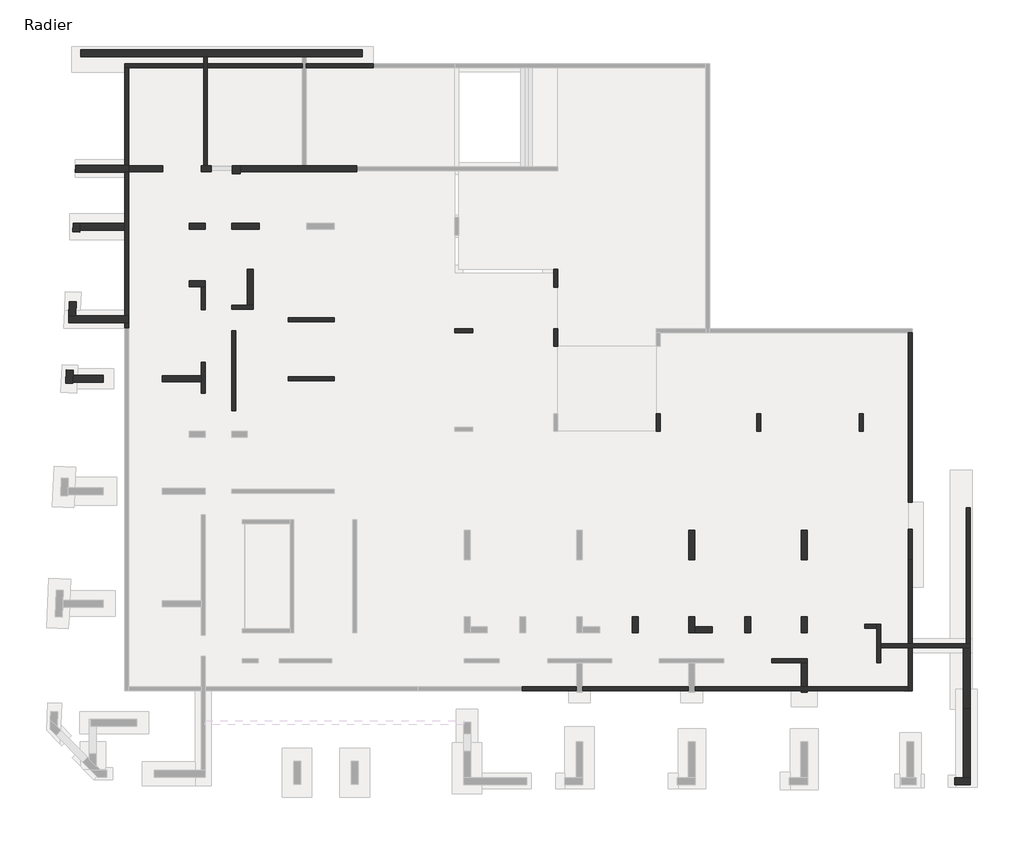
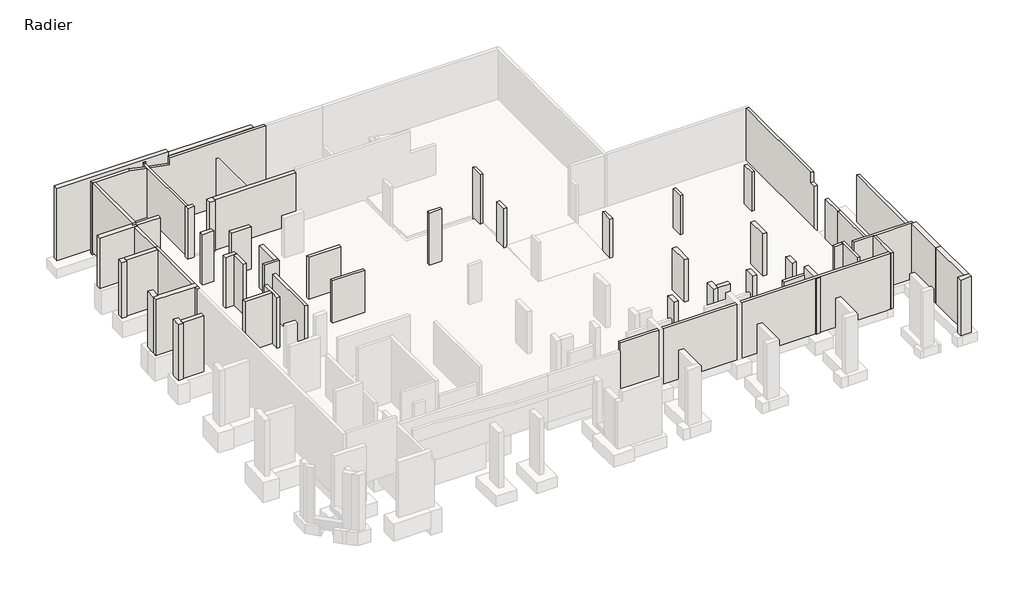
# One storey, part 2 of 4: 53 walls.
"""IFC4 building model written with IfcOpenShell, lengths in millimetres."""

from ifc_helpers import new_model, si_unit, frame, origin, place, context, project, spatial, polyline, outline, extrude, faceted_brep, element, save

model = new_model("IFC4")

# Units and contexts
model_context = context("Model", 3, world=origin())
ifc_project = project(units=[si_unit("LENGTHUNIT", "METRE", prefix="MILLI")], contexts=[model_context])

# Site, building, storey
site = spatial("IfcSite", under=ifc_project)
building = spatial("IfcBuilding", under=site)
storey = spatial("IfcBuildingStorey", under=building, Name="Radier", Elevation=-3900.0)

# Walls
placement = place(None, origin())
element("IfcWall", 1, ObjectType="MHA20", at=placement, inside=storey, context=model_context, shape_type="Brep", body=[
    faceted_brep([(-40805.6912908, 16850.9327501, -5150.0), (-40805.6912908, 11750.9327501, -5150.0), (-40805.6912908, 11750.9327501, -4900.0), (-40805.6912908, 11750.9327501, -3900.0), (-40805.6912908, 11925.9327501, -3900.0), (-40805.6912908, 11925.9327501, -20.0), (-40805.6912908, 11900.9327501, -20.0), (-40805.6912908, 11750.9327501, -20.0), (-40805.6912908, 11750.9327501, 130.0), (-40805.6912908, 11900.9327501, 130.0), (-40805.6912908, 16850.9327501, 130.0), (-40605.6912908, 16850.9327501, -5150.0), (-40605.6912908, 16850.9327501, 130.0), (-40605.6912908, 11900.9327501, 130.0), (-40605.6912908, 11750.9327501, 130.0), (-40605.6912908, 11750.9327501, -20.0), (-40605.6912908, 11900.9327501, -20.0), (-40605.6912908, 11925.9327501, -20.0), (-40605.6912908, 11925.9327501, -3900.0), (-40605.6912908, 11750.9327501, -3900.0), (-40605.6912908, 11750.9327501, -4900.0), (-40605.6912908, 11750.9327501, -5150.0)], [[[0, 1, 2, 3, 4, 5, 6, 7, 8, 9, 10]], [[11, 12, 13, 14, 15, 16, 17, 18, 19, 20, 21]], [[1, 0, 11, 21]], [[8, 7, 15, 14]], [[10, 9, 8, 14, 13, 12]], [[0, 10, 12, 11]], [[5, 17, 16, 15, 7, 6]], [[3, 2, 1, 21, 20, 19]], [[18, 4, 3, 19]], [[5, 4, 18, 17]]]),
])
element("IfcWall", 2, ObjectType="MHA20", at=placement, inside=storey, context=model_context, shape_type="Brep", body=[
    faceted_brep([(-2535.6912908, -13279.0672499, -4300.0), (-2535.6912908, -12519.0672499, -4300.0), (-2535.6912908, -12319.0672499, -4300.0), (-2535.6912908, -11329.0672499, -4300.0), (-2535.6912908, -11329.0672499, -670.0), (-2535.6912908, -13279.0672499, -670.0), (-2735.6912908, -13279.0672499, -4300.0), (-2735.6912908, -13279.0672499, -670.0), (-2735.6912908, -11529.0672499, -670.0), (-2735.6912908, -11329.0672499, -670.0), (-2735.6912908, -11329.0672499, -4300.0), (-2735.6912908, -11529.0672499, -4300.0)], [[[0, 1, 2, 3, 4, 5]], [[6, 7, 8, 9, 10, 11]], [[3, 2, 1, 0, 6, 11, 10]], [[5, 4, 9, 8, 7]], [[0, 5, 7, 6]], [[4, 3, 10, 9]]]),
])
element("IfcWall", 3, ObjectType="MHA20", at=placement, inside=storey, context=model_context, shape_type="Brep", body=[
    faceted_brep([(-2535.6912908, -12519.0672499, -20.0), (-2535.6912908, -12519.0672499, -4300.0), (-1125.6912908, -12519.0672499, -4300.0), (-925.6912908, -12519.0672499, -4300.0), (1644.3087092, -12519.0672499, -4300.0), (1994.3087092, -12519.0672499, -4300.0), (1994.3087092, -12519.0672499, -670.0), (1794.3087092, -12519.0672499, -670.0), (1794.3087092, -12519.0672499, -20.0), (1644.3087092, -12519.0672499, -20.0), (-925.6912908, -12519.0672499, -20.0), (-1125.6912908, -12519.0672499, -20.0), (-2535.6912908, -12319.0672499, -4300.0), (-2535.6912908, -12319.0672499, -20.0), (1794.3087092, -12319.0672499, -20.0), (1794.3087092, -12319.0672499, -670.0), (1994.3087092, -12319.0672499, -670.0), (1994.3087092, -12319.0672499, -4300.0), (-925.6912908, -12319.0672499, -4300.0), (-1125.6912908, -12319.0672499, -4300.0)], [[[0, 1, 2, 3, 4, 5, 6, 7, 8, 9, 10, 11]], [[12, 13, 14, 15, 16, 17, 18, 19]], [[5, 4, 3, 2, 1, 12, 19, 18, 17]], [[0, 11, 10, 9, 8, 14, 13]], [[0, 13, 12, 1]], [[15, 7, 6, 16]], [[6, 5, 17, 16]], [[8, 7, 15, 14]]]),
])
element("IfcWall", 4, ObjectType="MHA20", at=placement, inside=storey, context=model_context, shape_type="Brep", body=[
    faceted_brep([(-6255.6912908, -13079.0672499, -4300.0), (-8050.6912908, -13079.0672499, -4300.0), (-8050.6912908, -13079.0672499, -670.0), (-6255.6912908, -13079.0672499, -670.0), (-6255.6912908, -13279.0672499, -4300.0), (-6255.6912908, -13279.0672499, -670.0), (-8050.6912908, -13279.0672499, -670.0), (-8050.6912908, -13279.0672499, -4300.0), (-6555.6912908, -13279.0672499, -4300.0)], [[[0, 1, 2, 3]], [[4, 5, 6, 7, 8]], [[1, 0, 4, 8, 7]], [[2, 1, 7, 6]], [[3, 2, 6, 5]], [[0, 3, 5, 4]]]),
])
element("IfcWall", 5, ObjectType="MHA20", at=placement, inside=storey, context=model_context, shape_type="SweptSolid", body=[
    extrude(outline(polyline([(3440.9327501, -4300.0), (-5144.0672499, -4300.0), (-5144.0672499, -673.85), (-4689.0672499, -680.22), (-4689.0672499, 100.0), (3440.9327501, 100.0), (3440.9327501, -4300.0)])), frame((-1125.6912908, 0.0, 0.0), z_axis=(1.0, 0.0, 0.0), x_axis=(0.0, 1.0, 0.0)), (0.0, 0.0, 1.0), 200.0),
])
element("IfcWall", 6, ObjectType="MHA20", at=placement, inside=storey, context=model_context, shape_type="SweptSolid", body=[
    extrude(outline(polyline([(-35205.6912908, 3530.9327501), (-35205.6912908, -509.0672499), (-35405.6912908, -509.0672499), (-35405.6912908, 3530.9327501), (-35205.6912908, 3530.9327501)])), frame((0.0, 0.0, -4300.0), z_axis=(0.0, 0.0, 1.0), x_axis=(1.0, 0.0, 0.0)), (0.0, 0.0, 1.0), 3630.0),
])
element("IfcWall", 7, ObjectType="MHA20", at=placement, inside=storey, context=model_context, shape_type="Brep", body=[
    faceted_brep([(-32545.6912908, 1000.9327501, -4300.0), (-30205.6912908, 1000.9327501, -4300.0), (-30205.6912908, 1000.9327501, -1650.0), (-30205.6912908, 1000.9327501, -830.0), (-30205.6912908, 1000.9327501, -670.0), (-32545.6912908, 1000.9327501, -670.0), (-32545.6912908, 1000.9327501, -830.0), (-32545.6912908, 1000.9327501, -1650.0), (-32545.6912908, 1200.9327501, -4300.0), (-32545.6912908, 1200.9327501, -1650.0), (-32545.6912908, 1200.9327501, -830.0), (-32545.6912908, 1200.9327501, -670.0), (-30205.6912908, 1200.9327501, -670.0), (-30205.6912908, 1200.9327501, -830.0), (-30205.6912908, 1200.9327501, -1650.0), (-30205.6912908, 1200.9327501, -4300.0)], [[[0, 1, 2, 3, 4, 5, 6, 7]], [[8, 9, 10, 11, 12, 13, 14, 15]], [[1, 0, 8, 15]], [[4, 3, 2, 1, 15, 14, 13, 12]], [[5, 4, 12, 11]], [[0, 7, 6, 5, 11, 10, 9, 8]]]),
])
element("IfcWall", 8, ObjectType="MHA20", at=placement, inside=storey, context=model_context, shape_type="Brep", body=[
    faceted_brep([(-35405.6912908, 4620.9327501, -4300.0), (-34305.6912908, 4620.9327501, -4300.0), (-34305.6912908, 4620.9327501, -670.0), (-35405.6912908, 4620.9327501, -670.0), (-35405.6912908, 4820.9327501, -4300.0), (-35405.6912908, 4820.9327501, -670.0), (-34605.6912908, 4820.9327501, -670.0), (-34305.6912908, 4820.9327501, -670.0), (-34305.6912908, 4820.9327501, -4300.0), (-34605.6912908, 4820.9327501, -4300.0)], [[[0, 1, 2, 3]], [[4, 5, 6, 7, 8, 9]], [[1, 0, 4, 9, 8]], [[3, 2, 7, 6, 5]], [[0, 3, 5, 4]], [[2, 1, 8, 7]]]),
])
element("IfcWall", 9, ObjectType="MHA20", at=placement, inside=storey, context=model_context, shape_type="Brep", body=[
    faceted_brep([(-36735.6912908, 360.9327501, -4300.0), (-36735.6912908, 1930.9327501, -4300.0), (-36735.6912908, 1930.9327501, -820.0), (-36735.6912908, 1930.9327501, -180.0), (-36735.6912908, 1930.9327501, -20.0), (-36735.6912908, 360.9327501, -20.0), (-36735.6912908, 360.9327501, -180.0), (-36735.6912908, 360.9327501, -820.0), (-36935.6912908, 360.9327501, -4300.0), (-36935.6912908, 360.9327501, -820.0), (-36935.6912908, 360.9327501, -180.0), (-36935.6912908, 360.9327501, -20.0), (-36935.6912908, 950.9327501, -20.0), (-36935.6912908, 1250.9327501, -20.0), (-36935.6912908, 1930.9327501, -20.0), (-36935.6912908, 1930.9327501, -180.0), (-36935.6912908, 1930.9327501, -820.0), (-36935.6912908, 1930.9327501, -4300.0), (-36935.6912908, 1250.9327501, -4300.0), (-36935.6912908, 950.9327501, -4300.0)], [[[0, 1, 2, 3, 4, 5, 6, 7]], [[8, 9, 10, 11, 12, 13, 14, 15, 16, 17, 18, 19]], [[1, 0, 8, 19, 18, 17]], [[4, 3, 2, 1, 17, 16, 15, 14]], [[5, 4, 14, 13, 12, 11]], [[0, 7, 6, 5, 11, 10, 9, 8]]]),
])
element("IfcWall", 10, ObjectType="MHA20", at=placement, inside=storey, context=model_context, shape_type="Brep", body=[
    faceted_brep([(-36935.6912908, 5760.9327501, -4300.0), (-36935.6912908, 4590.9327501, -4300.0), (-36935.6912908, 4590.9327501, -820.0), (-36935.6912908, 4590.9327501, -180.0), (-36935.6912908, 4590.9327501, -20.0), (-36935.6912908, 5760.9327501, -20.0), (-36735.6912908, 5760.9327501, -4300.0), (-36735.6912908, 5760.9327501, -20.0), (-36735.6912908, 4590.9327501, -20.0), (-36735.6912908, 4590.9327501, -180.0), (-36735.6912908, 4590.9327501, -820.0), (-36735.6912908, 4590.9327501, -4300.0)], [[[0, 1, 2, 3, 4, 5]], [[6, 7, 8, 9, 10, 11]], [[1, 0, 6, 11]], [[4, 3, 2, 1, 11, 10, 9, 8]], [[5, 4, 8, 7]], [[0, 5, 7, 6]]]),
])
element("IfcWall", 11, ObjectType="MHA20", at=placement, inside=storey, context=model_context, shape_type="Brep", body=[
    faceted_brep([(-30205.6912908, 4200.9327501, -4300.0), (-32545.6912908, 4200.9327501, -4300.0), (-32545.6912908, 4200.9327501, -670.0), (-30205.6912908, 4200.9327501, -670.0), (-30205.6912908, 4200.9327501, -830.0), (-30205.6912908, 4200.9327501, -1650.0), (-30205.6912908, 4000.9327501, -4300.0), (-30205.6912908, 4000.9327501, -1650.0), (-30205.6912908, 4000.9327501, -830.0), (-30205.6912908, 4000.9327501, -670.0), (-32545.6912908, 4000.9327501, -670.0), (-32545.6912908, 4000.9327501, -4300.0)], [[[0, 1, 2, 3, 4, 5]], [[6, 7, 8, 9, 10, 11]], [[1, 0, 6, 11]], [[2, 1, 11, 10]], [[3, 2, 10, 9]], [[0, 5, 4, 3, 9, 8, 7, 6]]]),
])
element("IfcWall", 12, ObjectType="MHA20", at=placement, inside=storey, context=model_context, shape_type="Brep", body=[
    faceted_brep([(1994.3087092, -12319.0672499, -4300.0), (1994.3087092, -5419.0672499, -4300.0), (1994.3087092, -5419.0672499, -1250.0), (1994.3087092, -5419.0672499, -670.0), (1994.3087092, -12319.0672499, -670.0), (1794.3087092, -12319.0672499, -4300.0), (1794.3087092, -12319.0672499, -670.0), (1794.3087092, -5419.0672499, -670.0), (1794.3087092, -5419.0672499, -1250.0), (1794.3087092, -5419.0672499, -4300.0)], [[[0, 1, 2, 3, 4]], [[5, 6, 7, 8, 9]], [[1, 0, 5, 9]], [[4, 3, 7, 6]], [[0, 4, 6, 5]], [[3, 2, 1, 9, 8, 7]]]),
])
element("IfcWall", 13, ObjectType="MHA20", at=placement, inside=storey, context=model_context, shape_type="Brep", body=[
    faceted_brep([(-36625.6912908, 11900.9327501, -5400.0), (-36625.6912908, 16850.9327501, -5400.0), (-36625.6912908, 17050.9327501, -5400.0), (-36625.6912908, 17405.9327501, -5400.0), (-36625.6912908, 17405.9327501, -20.0), (-36625.6912908, 17380.9327501, -20.0), (-36625.6912908, 17380.9327501, -168.54), (-36625.6912908, 17050.9327501, -168.54), (-36625.6912908, 16850.9327501, -168.54), (-36625.6912908, 11900.9327501, -168.54), (-36825.6912908, 17405.9327501, -5400.0), (-36825.6912908, 17050.9327501, -5400.0), (-36825.6912908, 16850.9327501, -5400.0), (-36825.6912908, 11900.9327501, -5400.0), (-36825.6912908, 11900.9327501, -128.14), (-36825.6912908, 16850.9327501, -128.14), (-36825.6912908, 17050.9327501, -128.14), (-36825.6912908, 17380.9327501, -128.14), (-36825.6912908, 17380.9327501, -20.0), (-36825.6912908, 17405.9327501, -20.0)], [[[0, 1, 2, 3, 4, 5, 6, 7, 8, 9]], [[10, 11, 12, 13, 14, 15, 16, 17, 18, 19]], [[3, 2, 1, 0, 13, 12, 11, 10]], [[4, 19, 18, 5]], [[13, 0, 9, 14]], [[17, 6, 5, 18]], [[6, 17, 16, 15, 14, 9, 8, 7]], [[4, 3, 10, 19]]]),
])
element("IfcWall", 14, ObjectType="MHA20", at=placement, inside=storey, context=model_context, shape_type="SweptSolid", body=[
    extrude(outline(polyline([(-2735.6912908, -11529.0672499), (-3335.6912908, -11529.0672499), (-3335.6912908, -11329.0672499), (-2735.6912908, -11329.0672499), (-2735.6912908, -11529.0672499)])), frame((0.0, 0.0, -4300.0), z_axis=(0.0, 0.0, 1.0), x_axis=(1.0, 0.0, 0.0)), (0.0, 0.0, 1.0), 3630.0),
])
element("IfcWall", 15, ObjectType="MHA20", at=placement, inside=storey, context=model_context, shape_type="SweptSolid", body=[
    extrude(outline(polyline([(-1125.6912908, -8069.0672499), (-1125.6912908, -6519.0672499), (-925.6912908, -6519.0672499), (-925.6912908, -8069.0672499), (-1125.6912908, -8069.0672499)])), frame((0.0, 0.0, -4300.0), z_axis=(0.0, 0.0, 1.0), x_axis=(1.0, 0.0, 0.0)), (0.0, 0.0, 1.0), 3470.0),
])
element("IfcWall", 16, ObjectType="MHA20", at=placement, inside=storey, context=model_context, shape_type="Brep", body=[
    faceted_brep([(-1125.6912908, -8069.0672499, -830.0), (-1125.6912908, -8069.0672499, -4300.0), (-1125.6912908, -12319.0672499, -4300.0), (-1125.6912908, -12319.0672499, -830.0), (-925.6912908, -8069.0672499, -4300.0), (-925.6912908, -8069.0672499, -830.0), (-925.6912908, -12319.0672499, -830.0), (-925.6912908, -12319.0672499, -4300.0)], [[[0, 1, 2, 3]], [[4, 5, 6, 7]], [[3, 2, 7, 6]], [[1, 4, 7, 2]], [[5, 0, 3, 6]], [[1, 0, 5, 4]]]),
    faceted_brep([(-1125.6912908, -14699.0672499, -4300.0), (-1125.6912908, -14699.0672499, -20.0), (-1125.6912908, -14499.0672499, -20.0), (-1125.6912908, -12519.0672499, -20.0), (-1125.6912908, -12519.0672499, -4300.0), (-1125.6912908, -14499.0672499, -4300.0), (-925.6912908, -14699.0672499, -20.0), (-925.6912908, -14699.0672499, -140.0), (-925.6912908, -14699.0672499, -820.0), (-925.6912908, -14699.0672499, -4300.0), (-925.6912908, -12519.0672499, -4300.0), (-925.6912908, -12519.0672499, -20.0)], [[[0, 1, 2, 3, 4, 5]], [[6, 7, 8, 9, 10, 11]], [[9, 0, 5, 4, 10]], [[1, 0, 9, 8, 7, 6]], [[3, 2, 1, 6, 11]], [[3, 11, 10, 4]]]),
])
element("IfcWall", 17, ObjectType="MHA20", at=placement, inside=storey, context=model_context, shape_type="Brep", body=[
    faceted_brep([(-28225.6912908, 16850.9327501, -5400.0), (-28225.6912908, 16850.9327501, 100.0), (-35175.6912908, 16850.9327501, 100.0), (-35175.6912908, 16850.9327501, -461.44), (-36625.6912908, 16850.9327501, -168.54), (-36625.6912908, 16850.9327501, -5400.0), (-31825.6912908, 16850.9327501, -5400.0), (-31825.6912908, 16850.9327501, -1138.14), (-31625.6912908, 16850.9327501, -1178.54), (-31625.6912908, 16850.9327501, -5400.0), (-28225.6912908, 17050.9327501, 100.0), (-28225.6912908, 17050.9327501, -5400.0), (-31625.6912908, 17050.9327501, -5400.0), (-31625.6912908, 17050.9327501, -1178.54), (-31825.6912908, 17050.9327501, -1138.14), (-31825.6912908, 17050.9327501, -5400.0), (-36625.6912908, 17050.9327501, -5400.0), (-36625.6912908, 17050.9327501, -168.54), (-35175.6912908, 17050.9327501, -461.44), (-35175.6912908, 17050.9327501, 100.0)], [[[0, 1, 2, 3, 4, 5, 6, 7, 8, 9]], [[10, 11, 12, 13, 14, 15, 16, 17, 18, 19]], [[11, 0, 9, 12]], [[5, 16, 15, 6]], [[1, 0, 11, 10]], [[2, 1, 10, 19]], [[3, 2, 19, 18]], [[3, 18, 17, 4]], [[5, 4, 17, 16]], [[8, 13, 12, 9]], [[14, 7, 6, 15]], [[13, 8, 7, 14]]]),
    faceted_brep([(-40805.6912908, 16850.9327501, 130.0), (-40805.6912908, 16850.9327501, -5150.0), (-40805.6912908, 16850.9327501, -5400.0), (-36825.6912908, 16850.9327501, -5400.0), (-36825.6912908, 16850.9327501, -128.14), (-38103.6120829, 16850.9327501, 130.0), (-40605.6912908, 16850.9327501, 130.0), (-40805.6912908, 17050.9327501, -5400.0), (-40805.6912908, 17050.9327501, 130.0), (-38103.6120829, 17050.9327501, 130.0), (-36825.6912908, 17050.9327501, -128.14), (-36825.6912908, 17050.9327501, -5400.0)], [[[0, 1, 2, 3, 4, 5, 6]], [[7, 8, 9, 10, 11]], [[2, 7, 11, 3]], [[2, 1, 0, 8, 7]], [[9, 5, 4, 10]], [[0, 6, 5, 9, 8]], [[4, 3, 11, 10]]]),
])
element("IfcWall", 18, ObjectType="MHA20", at=placement, inside=storey, context=model_context, shape_type="Brep", body=[
    faceted_brep([(-40605.6912908, 3675.9327501, -4900.0), (-40605.6912908, 11750.9327501, -4900.0), (-40605.6912908, 11750.9327501, -3900.0), (-40605.6912908, 11575.9327501, -3900.0), (-40605.6912908, 11575.9327501, -67.8), (-40605.6912908, 8980.9327501, -67.8), (-40605.6912908, 8980.9327501, -20.0), (-40605.6912908, 8680.9327501, -20.0), (-40605.6912908, 3675.9327501, -20.0), (-40805.6912908, 11750.9327501, -4900.0), (-40805.6912908, 3675.9327501, -4900.0), (-40805.6912908, 3675.9327501, -20.0), (-40805.6912908, 8630.9327501, -20.0), (-40805.6912908, 8680.9327501, -20.0), (-40805.6912908, 8980.9327501, -20.0), (-40805.6912908, 8980.9327501, -55.8), (-40805.6912908, 11575.9327501, -55.8), (-40805.6912908, 11575.9327501, -3900.0), (-40805.6912908, 11750.9327501, -3900.0)], [[[0, 1, 2, 3, 4, 5, 6, 7, 8]], [[9, 10, 11, 12, 13, 14, 15, 16, 17, 18]], [[1, 0, 10, 9]], [[11, 8, 7, 6, 14, 13, 12]], [[0, 8, 11, 10]], [[1, 9, 18, 2]], [[3, 2, 18, 17]], [[3, 17, 16, 4]], [[5, 15, 14, 6]], [[15, 5, 4, 16]]]),
])
element("IfcWall", 19, ObjectType="MHA20", at=placement, inside=storey, context=model_context, shape_type="Brep", body=[
    faceted_brep([(-20715.6912908, -14699.0672499, -4300.0), (-1125.6912908, -14699.0672499, -4300.0), (-1125.6912908, -14699.0672499, -20.0), (-20715.6912908, -14699.0672499, -20.0), (-20715.6912908, -14499.0672499, -4300.0), (-20715.6912908, -14499.0672499, -20.0), (-1125.6912908, -14499.0672499, -20.0), (-1125.6912908, -14499.0672499, -180.0), (-1125.6912908, -14499.0672499, -820.0), (-1125.6912908, -14499.0672499, -4300.0)], [[[0, 1, 2, 3]], [[4, 5, 6, 7, 8, 9]], [[1, 0, 4, 9]], [[3, 2, 6, 5]], [[0, 3, 5, 4]], [[2, 1, 9, 8, 7, 6]]]),
])
element("IfcWall", 20, ObjectType="MHA20", at=placement, inside=storey, context=model_context, shape_type="Brep", body=[
    faceted_brep([(-3415.6912908, -1559.1017012, -4300.0), (-3415.6912908, -659.1017012, -4300.0), (-3415.6912908, -659.1017012, -1450.0), (-3415.6912908, -659.1017012, -1409.1086553), (-3415.6912908, -659.1017012, -1229.0996555), (-3415.6912908, -659.1017012, -900.0), (-3415.6912908, -1559.1017012, -900.0), (-3415.6912908, -1559.1017012, -1220.0996555), (-3415.6912908, -1559.1017012, -1400.1086553), (-3415.6912908, -1559.1017012, -1450.0), (-3615.6912908, -1559.1017012, -4300.0), (-3615.6912908, -1559.1017012, -1450.0), (-3615.6912908, -1559.1017012, -1400.1086553), (-3615.6912908, -1559.1017012, -1220.0996555), (-3615.6912908, -1559.1017012, -900.0), (-3615.6912908, -659.1017012, -900.0), (-3615.6912908, -659.1017012, -1229.0996555), (-3615.6912908, -659.1017012, -1409.1086553), (-3615.6912908, -659.1017012, -1450.0), (-3615.6912908, -659.1017012, -4300.0)], [[[0, 1, 2, 3, 4, 5, 6, 7, 8, 9]], [[10, 11, 12, 13, 14, 15, 16, 17, 18, 19]], [[1, 0, 10, 19]], [[5, 4, 3, 2, 1, 19, 18, 17, 16, 15]], [[6, 5, 15, 14]], [[0, 9, 8, 7, 6, 14, 13, 12, 11, 10]]]),
])
element("IfcWall", 21, ObjectType="MHA20", at=placement, inside=storey, context=model_context, shape_type="Brep", body=[
    faceted_brep([(-8595.6912908, -1559.1017012, -4300.0), (-8595.6912908, -659.1017012, -4300.0), (-8595.6912908, -659.1017012, -900.0), (-8595.6912908, -1559.1017012, -900.0), (-8595.6912908, -1559.1017012, -1220.0996555), (-8595.6912908, -1559.1017012, -1400.1086553), (-8595.6912908, -1559.1017012, -1450.0), (-8795.6912908, -1559.1017012, -4300.0), (-8795.6912908, -1559.1017012, -1450.0), (-8795.6912908, -1559.1017012, -1400.1086553), (-8795.6912908, -1559.1017012, -1220.0996555), (-8795.6912908, -1559.1017012, -900.0), (-8795.6912908, -659.1017012, -900.0), (-8795.6912908, -659.1017012, -4300.0)], [[[0, 1, 2, 3, 4, 5, 6]], [[7, 8, 9, 10, 11, 12, 13]], [[1, 0, 7, 13]], [[2, 1, 13, 12]], [[3, 2, 12, 11]], [[0, 6, 5, 4, 3, 11, 10, 9, 8, 7]]]),
])
element("IfcWall", 22, ObjectType="MHA20", at=placement, inside=storey, context=model_context, shape_type="Brep", body=[
    faceted_brep([(-13695.6912908, -1559.1017012, -4300.0), (-13695.6912908, -659.1017012, -4300.0), (-13695.6912908, -659.1017012, -1450.0), (-13695.6912908, -659.1017012, -1409.1086553), (-13695.6912908, -659.1017012, -1229.0996555), (-13695.6912908, -659.1017012, -900.0), (-13695.6912908, -1559.1017012, -900.0), (-13695.6912908, -1559.1017012, -1220.0996555), (-13695.6912908, -1559.1017012, -1400.1086553), (-13695.6912908, -1559.1017012, -1450.0), (-13895.6912908, -1559.1017012, -4300.0), (-13895.6912908, -1559.1017012, -1450.0), (-13895.6912908, -1559.1017012, -1400.1086553), (-13895.6912908, -1559.1017012, -1220.0996555), (-13895.6912908, -1559.1017012, -900.0), (-13895.6912908, -659.1017012, -900.0), (-13895.6912908, -659.1017012, -1229.0996555), (-13895.6912908, -659.1017012, -1409.1086553), (-13895.6912908, -659.1017012, -1450.0), (-13895.6912908, -659.1017012, -4300.0), (-13895.6912908, -1359.0672499, -4300.0)], [[[0, 1, 2, 3, 4, 5, 6, 7, 8, 9]], [[10, 11, 12, 13, 14, 15, 16, 17, 18, 19, 20]], [[1, 0, 10, 20, 19]], [[5, 4, 3, 2, 1, 19, 18, 17, 16, 15]], [[6, 5, 15, 14]], [[0, 9, 8, 7, 6, 14, 13, 12, 11, 10]]]),
])
element("IfcWall", 23, ObjectType="MHA20", at=placement, inside=storey, context=model_context, shape_type="Brep", body=[
    faceted_brep([(-19095.6912908, 3640.9327501, -4300.0), (-19095.6912908, 3440.9327501, -4300.0), (-19095.6912908, 2740.9327501, -4300.0), (-19095.6912908, 2740.9327501, -1450.0), (-19095.6912908, 2740.9327501, -900.0), (-19095.6912908, 3440.9327501, -900.0), (-19095.6912908, 3640.9327501, -900.0), (-19095.6912908, 3640.9327501, -1450.0), (-19095.6912908, 3640.9327501, -3750.0), (-19095.6912908, 3640.9327501, -3900.0), (-19095.6912908, 3640.9327501, -4050.0), (-18895.6912908, 3640.9327501, -4300.0), (-18895.6912908, 3640.9327501, -4050.0), (-18895.6912908, 3640.9327501, -3900.0), (-18895.6912908, 3640.9327501, -3750.0), (-18895.6912908, 3640.9327501, -1450.0), (-18895.6912908, 3640.9327501, -900.0), (-18895.6912908, 3440.9327501, -900.0), (-18895.6912908, 2740.9327501, -900.0), (-18895.6912908, 2740.9327501, -1450.0), (-18895.6912908, 2740.9327501, -3900.0), (-18895.6912908, 2740.9327501, -4150.0), (-18895.6912908, 2740.9327501, -4300.0), (-18895.6912908, 3440.9327501, -4300.0)], [[[0, 1, 2, 3, 4, 5, 6, 7, 8, 9, 10]], [[11, 12, 13, 14, 15, 16, 17, 18, 19, 20, 21, 22, 23]], [[2, 1, 0, 11, 23, 22]], [[4, 3, 2, 22, 21, 20, 19, 18]], [[6, 5, 4, 18, 17, 16]], [[0, 10, 9, 8, 7, 6, 16, 15, 14, 13, 12, 11]]]),
])
element("IfcWall", 24, ObjectType="MHA20", at=placement, inside=storey, context=model_context, shape_type="Brep", body=[
    faceted_brep([(-18895.6912908, 5750.9327501, -4300.0), (-18895.6912908, 6650.9327501, -4300.0), (-18895.6912908, 6650.9327501, -3900.0), (-18895.6912908, 6650.9327501, -1450.0), (-18895.6912908, 6650.9327501, -951.7089998), (-18895.6912908, 6650.9327501, -771.7), (-18895.6912908, 6650.9327501, -100.0), (-18895.6912908, 5750.9327501, -100.0), (-18895.6912908, 5750.9327501, -771.7), (-18895.6912908, 5750.9327501, -951.7089998), (-18895.6912908, 5750.9327501, -1450.0), (-18895.6912908, 5750.9327501, -3750.0), (-18895.6912908, 5750.9327501, -3900.0), (-18895.6912908, 5750.9327501, -4050.0), (-19095.6912908, 5750.9327501, -4300.0), (-19095.6912908, 5750.9327501, -4050.0), (-19095.6912908, 5750.9327501, -3900.0), (-19095.6912908, 5750.9327501, -3750.0), (-19095.6912908, 5750.9327501, -1450.0), (-19095.6912908, 5750.9327501, -949.7089998), (-19095.6912908, 5750.9327501, -769.7), (-19095.6912908, 5750.9327501, -100.0), (-19095.6912908, 6650.9327501, -100.0), (-19095.6912908, 6650.9327501, -769.7), (-19095.6912908, 6650.9327501, -949.7089998), (-19095.6912908, 6650.9327501, -1450.0), (-19095.6912908, 6650.9327501, -3750.0), (-19095.6912908, 6650.9327501, -3900.0), (-19095.6912908, 6650.9327501, -4300.0), (-19095.6912908, 6450.9327501, -4300.0)], [[[0, 1, 2, 3, 4, 5, 6, 7, 8, 9, 10, 11, 12, 13]], [[14, 15, 16, 17, 18, 19, 20, 21, 22, 23, 24, 25, 26, 27, 28, 29]], [[1, 0, 14, 29, 28]], [[6, 5, 4, 3, 2, 1, 28, 27, 26, 25, 24, 23, 22]], [[7, 6, 22, 21]], [[0, 13, 12, 11, 10, 9, 8, 7, 21, 20, 19, 18, 17, 16, 15, 14]]]),
])
element("IfcWall", 25, ObjectType="MHA20", at=placement, inside=storey, context=model_context, shape_type="Brep", body=[
    faceted_brep([(-24095.725742, 3440.9327501, -4300.0), (-23195.725742, 3440.9327501, -4300.0), (-23195.725742, 3440.9327501, -4050.0), (-23195.725742, 3440.9327501, 100.0), (-24095.725742, 3440.9327501, 100.0), (-24095.725742, 3440.9327501, -1450.0), (-24095.725742, 3640.9327501, -4300.0), (-24095.725742, 3640.9327501, -4050.0), (-24095.725742, 3640.9327501, -1450.0), (-24095.725742, 3640.9327501, 100.0), (-23195.725742, 3640.9327501, 100.0), (-23195.725742, 3640.9327501, -4050.0), (-23195.725742, 3640.9327501, -4300.0), (-23895.725742, 3640.9327501, -4300.0)], [[[0, 1, 2, 3, 4, 5]], [[6, 7, 8, 9, 10, 11, 12, 13]], [[1, 0, 6, 13, 12]], [[3, 2, 1, 12, 11, 10]], [[4, 3, 10, 9]], [[0, 5, 4, 9, 8, 7, 6]]]),
])
element("IfcWall", 26, ObjectType="MHA30", at=placement, inside=storey, context=model_context, shape_type="Brep", body=[
    faceted_brep([(-6255.6912908, -11759.0672499, -4300.0), (-6255.6912908, -10959.0672499, -4300.0), (-6255.6912908, -10959.0672499, -1650.0), (-6255.6912908, -10959.0672499, -830.0), (-6255.6912908, -10959.0672499, -670.0), (-6255.6912908, -11759.0672499, -670.0), (-6555.6912908, -11759.0672499, -4300.0), (-6555.6912908, -11759.0672499, -670.0), (-6555.6912908, -10959.0672499, -670.0), (-6555.6912908, -10959.0672499, -830.0), (-6555.6912908, -10959.0672499, -1650.0), (-6555.6912908, -10959.0672499, -4300.0)], [[[0, 1, 2, 3, 4, 5]], [[6, 7, 8, 9, 10, 11]], [[1, 0, 6, 11]], [[4, 3, 2, 1, 11, 10, 9, 8]], [[5, 4, 8, 7]], [[0, 5, 7, 6]]]),
])
element("IfcWall", 27, ObjectType="MHA30", at=placement, inside=storey, context=model_context, shape_type="Brep", body=[
    faceted_brep([(-11945.6912908, -11759.0672499, -4300.0), (-11945.6912908, -11459.0672499, -4300.0), (-11945.6912908, -10959.0672499, -4300.0), (-11945.6912908, -10959.0672499, -1650.0), (-11945.6912908, -10959.0672499, -830.0), (-11945.6912908, -10959.0672499, -670.0), (-11945.6912908, -11459.0672499, -670.0), (-11945.6912908, -11759.0672499, -670.0), (-12245.6912908, -11759.0672499, -4300.0), (-12245.6912908, -11759.0672499, -670.0), (-12245.6912908, -10959.0672499, -670.0), (-12245.6912908, -10959.0672499, -830.0), (-12245.6912908, -10959.0672499, -1650.0), (-12245.6912908, -10959.0672499, -4300.0)], [[[0, 1, 2, 3, 4, 5, 6, 7]], [[8, 9, 10, 11, 12, 13]], [[2, 1, 0, 8, 13]], [[5, 4, 3, 2, 13, 12, 11, 10]], [[7, 6, 5, 10, 9]], [[0, 7, 9, 8]]]),
])
element("IfcWall", 28, ObjectType="MHA30", at=placement, inside=storey, context=model_context, shape_type="SweptSolid", body=[
    extrude(outline(polyline([(-11945.6912908, -11459.0672499), (-11070.6912908, -11459.0672499), (-11070.6912908, -11759.0672499), (-11945.6912908, -11759.0672499), (-11945.6912908, -11459.0672499)])), frame((0.0, 0.0, -4300.0), z_axis=(0.0, 0.0, 1.0), x_axis=(1.0, 0.0, 0.0)), (0.0, 0.0, 1.0), 3630.0),
])
element("IfcWall", 29, ObjectType="MHA30", at=placement, inside=storey, context=model_context, shape_type="SweptSolid", body=[
    extrude(outline(polyline([(-9120.6912908, -10959.0672499), (-9120.6912908, -11759.0672499), (-9420.6912908, -11759.0672499), (-9420.6912908, -10959.0672499), (-9120.6912908, -10959.0672499)])), frame((0.0, 0.0, -4300.0), z_axis=(0.0, 0.0, 1.0), x_axis=(1.0, 0.0, 0.0)), (0.0, 0.0, 1.0), 3630.0),
])
element("IfcWall", 30, ObjectType="MHA30", at=placement, inside=storey, context=model_context, shape_type="SweptSolid", body=[
    extrude(outline(polyline([(-14810.6912908, -10959.0672499), (-14810.6912908, -11759.0672499), (-15110.6912908, -11759.0672499), (-15110.6912908, -10959.0672499), (-14810.6912908, -10959.0672499)])), frame((0.0, 0.0, -4300.0), z_axis=(0.0, 0.0, 1.0), x_axis=(1.0, 0.0, 0.0)), (0.0, 0.0, 1.0), 3630.0),
])
element("IfcWall", 31, ObjectType="MHA30", at=placement, inside=storey, context=model_context, shape_type="SweptSolid", body=[
    extrude(outline(polyline([(-34305.6912908, 6650.9327501), (-34305.6912908, 4820.9327501), (-34605.6912908, 4820.9327501), (-34605.6912908, 6650.9327501), (-34305.6912908, 6650.9327501)])), frame((0.0, 0.0, -4300.0), z_axis=(0.0, 0.0, 1.0), x_axis=(1.0, 0.0, 0.0)), (0.0, 0.0, 1.0), 3630.0),
])
element("IfcWall", 32, ObjectType="MHA30", at=placement, inside=storey, context=model_context, shape_type="SweptSolid", body=[
    extrude(outline(polyline([(-37535.6912908, 8980.9327501), (-36735.6912908, 8980.9327501), (-36735.6912908, 8680.9327501), (-37535.6912908, 8680.9327501), (-37535.6912908, 8980.9327501)])), frame((0.0, 0.0, -4300.0), z_axis=(0.0, 0.0, 1.0), x_axis=(1.0, 0.0, 0.0)), (0.0, 0.0, 1.0), 4280.0),
])
element("IfcWall", 33, ObjectType="MHA30", at=placement, inside=storey, context=model_context, shape_type="Brep", body=[
    faceted_brep([(-37535.6912908, 5760.9327501, -4300.0), (-36935.6912908, 5760.9327501, -4300.0), (-36735.6912908, 5760.9327501, -4300.0), (-36735.6912908, 5760.9327501, -20.0), (-36935.6912908, 5760.9327501, -20.0), (-37535.6912908, 5760.9327501, -20.0), (-37535.6912908, 6060.9327501, -4300.0), (-37535.6912908, 6060.9327501, -300.0), (-37535.6912908, 6060.9327501, -20.0), (-36735.6912908, 6060.9327501, -20.0), (-36735.6912908, 6060.9327501, -4300.0)], [[[0, 1, 2, 3, 4, 5]], [[6, 7, 8, 9, 10]], [[2, 1, 0, 6, 10]], [[5, 4, 3, 9, 8]], [[0, 5, 8, 7, 6]], [[3, 2, 10, 9]]]),
])
element("IfcWall", 34, ObjectType="MHA30", at=placement, inside=storey, context=model_context, shape_type="Brep", body=[
    faceted_brep([(-36435.6912908, 11900.9327501, -5570.0), (-36935.6912908, 11900.9327501, -5570.0), (-36935.6912908, 11900.9327501, -20.0), (-36435.6912908, 11900.9327501, -20.0), (-36435.6912908, 11600.9327501, -5570.0), (-36435.6912908, 11600.9327501, -20.0), (-36935.6912908, 11600.9327501, -20.0), (-36935.6912908, 11600.9327501, -5570.0), (-36435.6912908, 11850.9327501, -5570.0), (-36435.6912908, 11650.9327501, -5570.0)], [[[0, 1, 2, 3]], [[4, 5, 6, 7]], [[1, 0, 8, 9, 4, 7]], [[2, 1, 7, 6]], [[3, 2, 6, 5]], [[0, 3, 5, 4, 9, 8]]]),
])
element("IfcWall", 35, ObjectType="MHA30", at=placement, inside=storey, context=model_context, shape_type="Brep", body=[
    faceted_brep([(-34975.6912908, 11600.9327501, -5570.0), (-29065.6912908, 11600.9327501, -5570.0), (-29065.6912908, 11600.9327501, -1650.0), (-29065.6912908, 11600.9327501, -830.2954584), (-29065.6912908, 11600.9327501, -20.0), (-34975.6912908, 11600.9327501, -20.0), (-34975.6912908, 11900.9327501, -5570.0), (-34975.6912908, 11900.9327501, -20.0), (-29065.6912908, 11900.9327501, -20.0), (-29065.6912908, 11900.9327501, -5570.0), (-29065.6912908, 11850.9327501, -5570.0), (-29065.6912908, 11650.9327501, -5570.0)], [[[0, 1, 2, 3, 4, 5]], [[6, 7, 8, 9]], [[1, 0, 6, 9, 10, 11]], [[4, 3, 2, 1, 11, 10, 9, 8]], [[5, 4, 8, 7]], [[0, 5, 7, 6]]]),
])
element("IfcWall", 36, ObjectType="MHA30", at=placement, inside=storey, context=model_context, shape_type="Brep", body=[
    faceted_brep([(-35405.6912908, 8680.9327501, -4300.0), (-34005.6912908, 8680.9327501, -4300.0), (-34005.6912908, 8680.9327501, -1650.0), (-34005.6912908, 8680.9327501, -830.0), (-34005.6912908, 8680.9327501, -670.0), (-35405.6912908, 8680.9327501, -670.0), (-35405.6912908, 8980.9327501, -4300.0), (-35405.6912908, 8980.9327501, -670.0), (-34005.6912908, 8980.9327501, -670.0), (-34005.6912908, 8980.9327501, -830.0), (-34005.6912908, 8980.9327501, -1650.0), (-34005.6912908, 8980.9327501, -4300.0)], [[[0, 1, 2, 3, 4, 5]], [[6, 7, 8, 9, 10, 11]], [[1, 0, 6, 11]], [[4, 3, 2, 1, 11, 10, 9, 8]], [[5, 4, 8, 7]], [[0, 5, 7, 6]]]),
])
element("IfcWall", 37, ObjectType="MHA30", at=placement, inside=storey, context=model_context, shape_type="Brep", body=[
    faceted_brep([(-6255.6912908, -14769.0672499, -4300.0), (-6255.6912908, -13279.0672499, -4300.0), (-6255.6912908, -13279.0672499, -820.0), (-6255.6912908, -13279.0672499, -670.0), (-6255.6912908, -13279.0672499, -180.0), (-6255.6912908, -13279.0672499, -20.0), (-6255.6912908, -14769.0672499, -20.0), (-6255.6912908, -14769.0672499, -140.0), (-6255.6912908, -14769.0672499, -820.0), (-6555.6912908, -14769.0672499, -4300.0), (-6555.6912908, -14769.0672499, -820.0), (-6555.6912908, -14769.0672499, -140.0), (-6555.6912908, -14769.0672499, -20.0), (-6555.6912908, -13279.0672499, -20.0), (-6555.6912908, -13279.0672499, -180.0), (-6555.6912908, -13279.0672499, -820.0), (-6555.6912908, -13279.0672499, -4300.0)], [[[0, 1, 2, 3, 4, 5, 6, 7, 8]], [[9, 10, 11, 12, 13, 14, 15, 16]], [[1, 0, 9, 16]], [[6, 5, 13, 12]], [[0, 8, 7, 6, 12, 11, 10, 9]], [[1, 16, 15, 14, 13, 5, 4, 3, 2]]]),
])
element("IfcWall", 38, ObjectType="MHA30", at=placement, inside=storey, context=model_context, shape_type="Brep", body=[
    faceted_brep([(-38905.6912908, 950.9327501, -4300.0), (-36935.6912908, 950.9327501, -4300.0), (-36935.6912908, 950.9327501, -820.0), (-36935.6912908, 950.9327501, -180.0), (-36935.6912908, 950.9327501, -20.0), (-38905.6912908, 950.9327501, -20.0), (-38905.6912908, 950.9327501, -180.0), (-38905.6912908, 950.9327501, -820.0), (-38905.6912908, 1250.9327501, -4300.0), (-38905.6912908, 1250.9327501, -820.0), (-38905.6912908, 1250.9327501, -180.0), (-38905.6912908, 1250.9327501, -20.0), (-36935.6912908, 1250.9327501, -20.0), (-36935.6912908, 1250.9327501, -180.0), (-36935.6912908, 1250.9327501, -820.0), (-36935.6912908, 1250.9327501, -4300.0)], [[[0, 1, 2, 3, 4, 5, 6, 7]], [[8, 9, 10, 11, 12, 13, 14, 15]], [[1, 0, 8, 15]], [[5, 4, 12, 11]], [[0, 7, 6, 5, 11, 10, 9, 8]], [[4, 3, 2, 1, 15, 14, 13, 12]]]),
])
element("IfcWall", 39, ObjectType="MHA30", at=placement, inside=storey, context=model_context, shape_type="Brep", body=[
    faceted_brep([(-11945.6912908, -8059.0672499, -4300.0), (-11945.6912908, -6559.0672499, -4300.0), (-11945.6912908, -6559.0672499, -1650.0), (-11945.6912908, -6559.0672499, -830.0), (-11945.6912908, -6559.0672499, -670.0), (-11945.6912908, -8059.0672499, -670.0), (-11945.6912908, -8059.0672499, -830.0), (-11945.6912908, -8059.0672499, -1650.0), (-12245.6912908, -8059.0672499, -4300.0), (-12245.6912908, -8059.0672499, -1650.0), (-12245.6912908, -8059.0672499, -830.0), (-12245.6912908, -8059.0672499, -670.0), (-12245.6912908, -6559.0672499, -670.0), (-12245.6912908, -6559.0672499, -830.0), (-12245.6912908, -6559.0672499, -1650.0), (-12245.6912908, -6559.0672499, -4300.0)], [[[0, 1, 2, 3, 4, 5, 6, 7]], [[8, 9, 10, 11, 12, 13, 14, 15]], [[1, 0, 8, 15]], [[4, 3, 2, 1, 15, 14, 13, 12]], [[5, 4, 12, 11]], [[0, 7, 6, 5, 11, 10, 9, 8]]]),
])
element("IfcWall", 40, ObjectType="MHA30", at=placement, inside=storey, context=model_context, shape_type="Brep", body=[
    faceted_brep([(-6255.6912908, -8059.0672499, -4300.0), (-6255.6912908, -6559.0672499, -4300.0), (-6255.6912908, -6559.0672499, -1650.0), (-6255.6912908, -6559.0672499, -830.0), (-6255.6912908, -6559.0672499, -670.0), (-6255.6912908, -8059.0672499, -670.0), (-6255.6912908, -8059.0672499, -830.0), (-6255.6912908, -8059.0672499, -1650.0), (-6555.6912908, -8059.0672499, -4300.0), (-6555.6912908, -8059.0672499, -1650.0), (-6555.6912908, -8059.0672499, -830.0), (-6555.6912908, -8059.0672499, -670.0), (-6555.6912908, -6559.0672499, -670.0), (-6555.6912908, -6559.0672499, -830.0), (-6555.6912908, -6559.0672499, -1650.0), (-6555.6912908, -6559.0672499, -4300.0)], [[[0, 1, 2, 3, 4, 5, 6, 7]], [[8, 9, 10, 11, 12, 13, 14, 15]], [[1, 0, 8, 15]], [[4, 3, 2, 1, 15, 14, 13, 12]], [[5, 4, 12, 11]], [[0, 7, 6, 5, 11, 10, 9, 8]]]),
])
element("IfcWall", 41, ObjectType="MHA30", at=placement, inside=storey, context=model_context, shape_type="SweptSolid", body=[
    extrude(outline(polyline([(-40605.6912908, 11900.9327501), (-38895.6912908, 11900.9327501), (-38895.6912908, 11600.9327501), (-40605.6912908, 11600.9327501), (-40605.6912908, 11900.9327501)])), frame((0.0, 0.0, -3900.0), z_axis=(0.0, 0.0, 1.0), x_axis=(1.0, 0.0, 0.0)), (0.0, 0.0, 1.0), 3880.0),
])
element("IfcWall", 42, ObjectType="MHA35", at=placement, inside=storey, context=model_context, shape_type="SweptSolid", body=[
    extrude(outline(polyline([(1994.3087092, -15594.0672499), (1994.3087092, -19094.0672499), (1644.3087092, -19094.0672499), (1644.3087092, -15594.0672499), (1994.3087092, -15594.0672499)])), frame((0.0, 0.0, -4300.0), z_axis=(0.0, 0.0, 1.0), x_axis=(1.0, 0.0, 0.0)), (0.0, 0.0, 1.0), 4280.0),
])
element("IfcWall", 43, ObjectType="MHA35", at=placement, inside=storey, context=model_context, shape_type="Brep", body=[
    faceted_brep([(-43449.8934248, 925.9327501, -4300.0), (-41905.6912908, 925.9327501, -4300.0), (-41905.6912908, 925.9327501, -820.0), (-41905.6912908, 925.9327501, -140.0), (-41905.6912908, 925.9327501, -20.0), (-43449.8934248, 925.9327501, -20.0), (-43434.0157055, 1275.9327501, -4300.0), (-43434.0157055, 1275.9327501, -20.0), (-41905.6912908, 1275.9327501, -20.0), (-41905.6912908, 1275.9327501, -140.0), (-41905.6912908, 1275.9327501, -820.0), (-41905.6912908, 1275.9327501, -4300.0)], [[[0, 1, 2, 3, 4, 5]], [[6, 7, 8, 9, 10, 11]], [[1, 0, 6, 11]], [[4, 3, 2, 1, 11, 10, 9, 8]], [[5, 4, 8, 7]], [[0, 5, 7, 6]]]),
])
element("IfcWall", 44, ObjectType="MHA35", at=placement, inside=storey, context=model_context, shape_type="Brep", body=[
    faceted_brep([(-40625.6912908, 4300.9327501, -4300.0), (-43296.7868458, 4300.9327501, -4300.0), (-43647.1468063, 4300.9327501, -4300.0), (-43647.1468063, 4300.9327501, -20.0), (-43296.7868458, 4300.9327501, -20.0), (-40625.6912908, 4300.9327501, -20.0), (-40625.6912908, 3950.9327501, -4300.0), (-40625.6912908, 3950.9327501, -20.0), (-43663.0245256, 3950.9327501, -20.0), (-43663.0245256, 3950.9327501, -140.0), (-43663.0245256, 3950.9327501, -420.0), (-43663.0245256, 3950.9327501, -4300.0)], [[[0, 1, 2, 3, 4, 5]], [[6, 7, 8, 9, 10, 11]], [[2, 1, 0, 6, 11]], [[5, 4, 3, 8, 7]], [[0, 5, 7, 6]], [[3, 2, 11, 10, 9, 8]]]),
])
element("IfcWall", 45, ObjectType="MHA35", at=placement, inside=storey, context=model_context, shape_type="Brep", body=[
    faceted_brep([(-40605.6912908, 11925.9327501, -20.0), (-40605.6912908, 11925.9327501, -3900.0), (-40805.6912908, 11925.9327501, -3900.0), (-43301.2393501, 11925.9327501, -3900.0), (-43301.2393501, 11925.9327501, -20.0), (-40805.6912908, 11925.9327501, -20.0), (-40605.6912908, 11575.9327501, -3900.0), (-40605.6912908, 11575.9327501, -67.8), (-40605.6912908, 11575.9327501, -20.0), (-43317.1170694, 11575.9327501, -20.0), (-43317.1170694, 11575.9327501, -3700.0), (-43317.1170694, 11575.9327501, -3900.0), (-42966.7571088, 11575.9327501, -3900.0), (-40805.6912908, 11575.9327501, -3900.0), (-40605.6912908, 11900.9327501, -3900.0), (-40605.6912908, 11750.9327501, -3900.0), (-40605.6912908, 11600.9327501, -3900.0), (-40605.6912908, 11600.9327501, -20.0), (-40605.6912908, 11750.9327501, -20.0), (-40605.6912908, 11900.9327501, -20.0)], [[[0, 1, 2, 3, 4, 5]], [[6, 7, 8, 9, 10, 11, 12, 13]], [[6, 13, 12, 11, 3, 2, 1, 14, 15, 16]], [[9, 8, 17, 18, 19, 0, 5, 4]], [[1, 0, 19, 18, 17, 8, 7, 6, 16, 15, 14]], [[4, 3, 11, 10, 9]]]),
])
element("IfcWall", 46, ObjectType="MHA35", at=placement, inside=storey, context=model_context, shape_type="Brep", body=[
    faceted_brep([(-40805.6912908, 8980.9327501, -4300.0), (-43084.4790562, 8980.9327501, -4300.0), (-43084.4790562, 8980.9327501, -20.0), (-40805.6912908, 8980.9327501, -20.0), (-40805.6912908, 8980.9327501, -55.8), (-40805.6912908, 8630.9327501, -4300.0), (-40805.6912908, 8630.9327501, -20.0), (-43100.3567755, 8630.9327501, -20.0), (-43100.3567755, 8630.9327501, -4300.0)], [[[0, 1, 2, 3, 4]], [[5, 6, 7, 8]], [[1, 0, 5, 8]], [[3, 2, 7, 6]], [[0, 4, 3, 6, 5]], [[2, 1, 8, 7]]]),
])
element("IfcWall", 47, ObjectType="MHA35", at=placement, inside=storey, context=model_context, shape_type="Brep", body=[
    faceted_brep([(1994.3087092, -15594.0672499, -4300.0), (1994.3087092, -12519.0672499, -4300.0), (1994.3087092, -12519.0672499, -670.0), (1994.3087092, -12519.0672499, -20.0), (1994.3087092, -15594.0672499, -20.0), (1644.3087092, -15594.0672499, -4300.0), (1644.3087092, -15594.0672499, -20.0), (1644.3087092, -12519.0672499, -20.0), (1644.3087092, -12519.0672499, -4300.0), (1794.3087092, -12519.0672499, -20.0), (1694.3087092, -12519.0672499, -20.0)], [[[0, 1, 2, 3, 4]], [[5, 6, 7, 8]], [[1, 0, 5, 8]], [[4, 3, 9, 10, 7, 6]], [[0, 4, 6, 5]], [[3, 2, 1, 8, 7, 10, 9]]]),
])
element("IfcWall", 48, ObjectType="MHA35", at=placement, inside=storey, context=model_context, shape_type="Brep", body=[
    faceted_brep([(1214.3087092, -19444.0672499, -4300.0), (1994.3087092, -19444.0672499, -4300.0), (1994.3087092, -19444.0672499, -20.0), (1214.3087092, -19444.0672499, -20.0), (1214.3087092, -19444.0672499, -140.0), (1214.3087092, -19444.0672499, -420.0), (1214.3087092, -19444.0672499, -3700.0), (1214.3087092, -19094.0672499, -4300.0), (1214.3087092, -19094.0672499, -3700.0), (1214.3087092, -19094.0672499, -20.0), (1644.3087092, -19094.0672499, -20.0), (1994.3087092, -19094.0672499, -20.0), (1994.3087092, -19094.0672499, -4300.0), (1644.3087092, -19094.0672499, -4300.0)], [[[0, 1, 2, 3, 4, 5, 6]], [[7, 8, 9, 10, 11, 12, 13]], [[1, 0, 7, 13, 12]], [[3, 2, 11, 10, 9]], [[0, 6, 5, 4, 3, 9, 8, 7]], [[2, 1, 12, 11]]]),
])
element("IfcWall", 49, ObjectType="MHA35", at=placement, inside=storey, context=model_context, shape_type="Brep", body=[
    faceted_brep([(-28795.6912908, 17405.9327501, -5400.0), (-28795.6912908, 17405.9327501, -150.0), (-34975.6912908, 17405.9327501, -150.0), (-34975.6912908, 17405.9327501, 130.0), (-43052.6396307, 17405.9327501, 130.0), (-43052.6396307, 17405.9327501, -5400.0), (-36825.6912908, 17405.9327501, -5400.0), (-36625.6912908, 17405.9327501, -5400.0), (-31825.6912908, 17405.9327501, -5400.0), (-31625.6912908, 17405.9327501, -5400.0), (-28795.6912908, 17755.9327501, -150.0), (-28795.6912908, 17755.9327501, -5400.0), (-43036.7619114, 17755.9327501, -5400.0), (-43036.7619114, 17755.9327501, 130.0), (-34975.6912908, 17755.9327501, 130.0), (-34975.6912908, 17755.9327501, -150.0), (-34975.6912908, 17430.9327501, 130.0), (-34975.6912908, 17730.9327501, 130.0), (-34975.6912908, 17730.9327501, -150.0), (-34975.6912908, 17430.9327501, -150.0)], [[[0, 1, 2, 3, 4, 5, 6, 7, 8, 9]], [[10, 11, 12, 13, 14, 15]], [[5, 4, 13, 12]], [[11, 0, 9, 8, 7, 6, 5, 12]], [[1, 0, 11, 10]], [[3, 16, 17, 14, 13, 4]], [[2, 1, 10, 15, 18, 19]], [[3, 2, 19, 18, 15, 14, 17, 16]]]),
])
element("IfcWall", 50, ObjectType="MHA35", at=placement, inside=storey, context=model_context, shape_type="Brep", body=[
    faceted_brep([(-43296.7868458, 4300.9327501, -4300.0), (-43265.3093316, 4994.8063327, -4300.0), (-43265.3093316, 4994.8063327, -3700.0), (-43265.3093316, 4994.8063327, -20.0), (-43296.7868458, 4300.9327501, -20.0), (-43647.1468063, 4300.9327501, -4300.0), (-43647.1468063, 4300.9327501, -20.0), (-43614.9497408, 5010.6677392, -20.0), (-43614.9497408, 5010.6677392, -140.0), (-43614.9497408, 5010.6677392, -420.0), (-43614.9497408, 5010.6677392, -3700.0), (-43614.9497408, 5010.6677392, -4300.0)], [[[0, 1, 2, 3, 4]], [[5, 6, 7, 8, 9, 10, 11]], [[1, 0, 5, 11]], [[3, 2, 1, 11, 10, 9, 8, 7]], [[4, 3, 7, 6]], [[0, 4, 6, 5]]]),
])
element("IfcWall", 51, ObjectType="MHA35", at=placement, inside=storey, context=model_context, shape_type="Brep", body=[
    faceted_brep([(-43104.8825344, 8531.1693292, -4300.0), (-43100.3567755, 8630.9327501, -4300.0), (-43084.4790562, 8980.9327501, -4300.0), (-43084.4790562, 8980.9327501, -20.0), (-43100.3567755, 8630.9327501, -20.0), (-43104.8825344, 8531.1693292, -20.0), (-43104.8825344, 8531.1693292, -3700.0), (-43454.5229436, 8547.0307357, -4300.0), (-43454.5229436, 8547.0307357, -3700.0), (-43454.5229436, 8547.0307357, -420.0), (-43454.5229436, 8547.0307357, -140.0), (-43454.5229436, 8547.0307357, -20.0), (-43434.8390168, 8980.9327501, -20.0), (-43434.8390168, 8980.9327501, -140.0), (-43434.8390168, 8980.9327501, -420.0), (-43434.8390168, 8980.9327501, -4300.0)], [[[0, 1, 2, 3, 4, 5, 6]], [[7, 8, 9, 10, 11, 12, 13, 14, 15]], [[2, 1, 0, 7, 15]], [[5, 4, 3, 12, 11]], [[0, 6, 5, 11, 10, 9, 8, 7]], [[3, 2, 15, 14, 13, 12]]]),
])
element("IfcWall", 52, ObjectType="MHA35", at=placement, inside=storey, context=model_context, shape_type="Brep", body=[
    faceted_brep([(-43452.4240025, 870.1500411, -4300.0), (-43449.8934248, 925.9327501, -4300.0), (-43434.0157055, 1275.9327501, -4300.0), (-43422.2873301, 1534.4668187, -4300.0), (-43422.2873301, 1534.4668187, -3700.0), (-43422.2873301, 1534.4668187, -20.0), (-43434.0157055, 1275.9327501, -20.0), (-43449.8934248, 925.9327501, -20.0), (-43452.4240025, 870.1500411, -20.0), (-43802.0644117, 886.0114476, -4300.0), (-43802.0644117, 886.0114476, -20.0), (-43771.9277394, 1550.3282252, -20.0), (-43771.9277394, 1550.3282252, -140.0), (-43771.9277394, 1550.3282252, -420.0), (-43771.9277394, 1550.3282252, -3700.0), (-43771.9277394, 1550.3282252, -4300.0)], [[[0, 1, 2, 3, 4, 5, 6, 7, 8]], [[9, 10, 11, 12, 13, 14, 15]], [[3, 2, 1, 0, 9, 15]], [[5, 4, 3, 15, 14, 13, 12, 11]], [[8, 7, 6, 5, 11, 10]], [[0, 8, 10, 9]]]),
])
element("IfcWall", 53, ObjectType="MHA40", at=placement, inside=storey, context=model_context, shape_type="Brep", body=[
    faceted_brep([(-34975.6912908, 11900.9327501, -5570.0), (-35365.6912908, 11900.9327501, -5570.0), (-35365.6912908, 11900.9327501, -20.0), (-34975.6912908, 11900.9327501, -20.0), (-34975.6912908, 11500.9327501, -5570.0), (-34975.6912908, 11500.9327501, -20.0), (-35365.6912908, 11500.9327501, -20.0), (-35365.6912908, 11500.9327501, -5570.0), (-34975.6912908, 11600.9327501, -5570.0), (-35365.6912908, 11650.9327501, -5570.0), (-35365.6912908, 11850.9327501, -5570.0), (-34975.6912908, 11600.9327501, -20.0)], [[[0, 1, 2, 3]], [[4, 5, 6, 7]], [[1, 0, 8, 4, 7, 9, 10]], [[2, 1, 10, 9, 7, 6]], [[3, 2, 6, 5, 11]], [[0, 3, 11, 5, 4, 8]]]),
])

save(model, "model.ifc")
